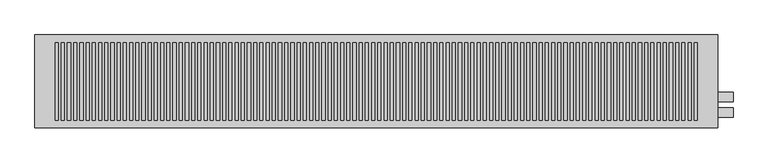
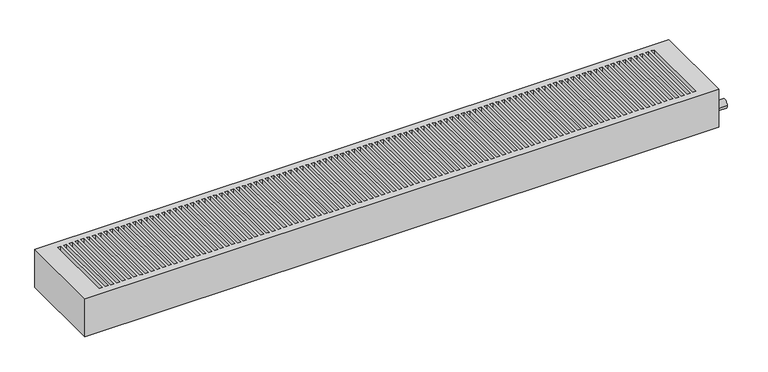
"""IFC4 building model written with IfcOpenShell, lengths in millimetres: proxy geometry."""

from ifc_helpers import new_model, si_unit, point, frame, frame_2d, origin, place, context, project, spatial, circle_curve, trimmed, segment, composite_curve, outline, extrude, faceted_brep, source, transform, mapped, element, save


def mechanical_equipment_62fa3306(model_context):
    return source(origin(), model_context, "Body", "SolidModel", [
        faceted_brep([(1100.0, 150.0, -140.0), (1100.0, -150.0, -140.0), (-1100.0, -150.0, -140.0), (-1100.0, 150.0, -140.0), (1100.0, 150.0, 0.0), (-1100.0, 150.0, 0.0), (-1100.0, -150.0, 0.0), (1100.0, -150.0, 0.0), (15.0, -125.0, 0.0), (5.0, -125.0, 0.0), (5.0, 125.0, 0.0), (15.0, 125.0, 0.0), (-15.0, 125.0, 0.0), (-5.0, 125.0, 0.0), (-5.0, -125.0, 0.0), (-15.0, -125.0, 0.0), (35.0, -125.0, 0.0), (25.0, -125.0, 0.0), (25.0, 125.0, 0.0), (35.0, 125.0, 0.0), (55.0, -125.0, 0.0), (45.0, -125.0, 0.0), (45.0, 125.0, 0.0), (55.0, 125.0, 0.0), (75.0, -125.0, 0.0), (65.0, -125.0, 0.0), (65.0, 125.0, 0.0), (75.0, 125.0, 0.0), (95.0, -125.0, 0.0), (85.0, -125.0, 0.0), (85.0, 125.0, 0.0), (95.0, 125.0, 0.0), (115.0, -125.0, 0.0), (105.0, -125.0, 0.0), (105.0, 125.0, 0.0), (115.0, 125.0, 0.0), (135.0, -125.0, 0.0), (125.0, -125.0, 0.0), (125.0, 125.0, 0.0), (135.0, 125.0, 0.0), (155.0, -125.0, 0.0), (145.0, -125.0, 0.0), (145.0, 125.0, 0.0), (155.0, 125.0, 0.0), (175.0, -125.0, 0.0), (165.0, -125.0, 0.0), (165.0, 125.0, 0.0), (175.0, 125.0, 0.0), (195.0, -125.0, 0.0), (185.0, -125.0, 0.0), (185.0, 125.0, 0.0), (195.0, 125.0, 0.0), (215.0, -125.0, 0.0), (205.0, -125.0, 0.0), (205.0, 125.0, 0.0), (215.0, 125.0, 0.0), (235.0, -125.0, 0.0), (225.0, -125.0, 0.0), (225.0, 125.0, 0.0), (235.0, 125.0, 0.0), (255.0, -125.0, 0.0), (245.0, -125.0, 0.0), (245.0, 125.0, 0.0), (255.0, 125.0, 0.0), (275.0, -125.0, 0.0), (265.0, -125.0, 0.0), (265.0, 125.0, 0.0), (275.0, 125.0, 0.0), (295.0, -125.0, 0.0), (285.0, -125.0, 0.0), (285.0, 125.0, 0.0), (295.0, 125.0, 0.0), (315.0, -125.0, 0.0), (305.0, -125.0, 0.0), (305.0, 125.0, 0.0), (315.0, 125.0, 0.0), (335.0, -125.0, 0.0), (325.0, -125.0, 0.0), (325.0, 125.0, 0.0), (335.0, 125.0, 0.0), (355.0, -125.0, 0.0), (345.0, -125.0, 0.0), (345.0, 125.0, 0.0), (355.0, 125.0, 0.0), (375.0, -125.0, 0.0), (365.0, -125.0, 0.0), (365.0, 125.0, 0.0), (375.0, 125.0, 0.0), (395.0, -125.0, 0.0), (385.0, -125.0, 0.0), (385.0, 125.0, 0.0), (395.0, 125.0, 0.0), (415.0, -125.0, 0.0), (405.0, -125.0, 0.0), (405.0, 125.0, 0.0), (415.0, 125.0, 0.0), (435.0, -125.0, 0.0), (425.0, -125.0, 0.0), (425.0, 125.0, 0.0), (435.0, 125.0, 0.0), (455.0, -125.0, 0.0), (445.0, -125.0, 0.0), (445.0, 125.0, 0.0), (455.0, 125.0, 0.0), (475.0, -125.0, 0.0), (465.0, -125.0, 0.0), (465.0, 125.0, 0.0), (475.0, 125.0, 0.0), (495.0, -125.0, 0.0), (485.0, -125.0, 0.0), (485.0, 125.0, 0.0), (495.0, 125.0, 0.0), (515.0, -125.0, 0.0), (505.0, -125.0, 0.0), (505.0, 125.0, 0.0), (515.0, 125.0, 0.0), (535.0, -125.0, 0.0), (525.0, -125.0, 0.0), (525.0, 125.0, 0.0), (535.0, 125.0, 0.0), (555.0, -125.0, 0.0), (545.0, -125.0, 0.0), (545.0, 125.0, 0.0), (555.0, 125.0, 0.0), (575.0, -125.0, 0.0), (565.0, -125.0, 0.0), (565.0, 125.0, 0.0), (575.0, 125.0, 0.0), (595.0, -125.0, 0.0), (585.0, -125.0, 0.0), (585.0, 125.0, 0.0), (595.0, 125.0, 0.0), (615.0, -125.0, 0.0), (605.0, -125.0, 0.0), (605.0, 125.0, 0.0), (615.0, 125.0, 0.0), (635.0, -125.0, 0.0), (625.0, -125.0, 0.0), (625.0, 125.0, 0.0), (635.0, 125.0, 0.0), (655.0, -125.0, 0.0), (645.0, -125.0, 0.0), (645.0, 125.0, 0.0), (655.0, 125.0, 0.0), (-35.0, 125.0, 0.0), (-25.0, 125.0, 0.0), (-25.0, -125.0, 0.0), (-35.0, -125.0, 0.0), (-55.0, 125.0, 0.0), (-45.0, 125.0, 0.0), (-45.0, -125.0, 0.0), (-55.0, -125.0, 0.0), (-75.0, 125.0, 0.0), (-65.0, 125.0, 0.0), (-65.0, -125.0, 0.0), (-75.0, -125.0, 0.0), (-95.0, 125.0, 0.0), (-85.0, 125.0, 0.0), (-85.0, -125.0, 0.0), (-95.0, -125.0, 0.0), (-115.0, 125.0, 0.0), (-105.0, 125.0, 0.0), (-105.0, -125.0, 0.0), (-115.0, -125.0, 0.0), (-135.0, 125.0, 0.0), (-125.0, 125.0, 0.0), (-125.0, -125.0, 0.0), (-135.0, -125.0, 0.0), (-155.0, 125.0, 0.0), (-145.0, 125.0, 0.0), (-145.0, -125.0, 0.0), (-155.0, -125.0, 0.0), (-175.0, 125.0, 0.0), (-165.0, 125.0, 0.0), (-165.0, -125.0, 0.0), (-175.0, -125.0, 0.0), (-195.0, 125.0, 0.0), (-185.0, 125.0, 0.0), (-185.0, -125.0, 0.0), (-195.0, -125.0, 0.0), (-215.0, 125.0, 0.0), (-205.0, 125.0, 0.0), (-205.0, -125.0, 0.0), (-215.0, -125.0, 0.0), (-235.0, 125.0, 0.0), (-225.0, 125.0, 0.0), (-225.0, -125.0, 0.0), (-235.0, -125.0, 0.0), (-255.0, 125.0, 0.0), (-245.0, 125.0, 0.0), (-245.0, -125.0, 0.0), (-255.0, -125.0, 0.0), (-275.0, 125.0, 0.0), (-265.0, 125.0, 0.0), (-265.0, -125.0, 0.0), (-275.0, -125.0, 0.0), (-295.0, 125.0, 0.0), (-285.0, 125.0, 0.0), (-285.0, -125.0, 0.0), (-295.0, -125.0, 0.0), (-315.0, 125.0, 0.0), (-305.0, 125.0, 0.0), (-305.0, -125.0, 0.0), (-315.0, -125.0, 0.0), (-335.0, 125.0, 0.0), (-325.0, 125.0, 0.0), (-325.0, -125.0, 0.0), (-335.0, -125.0, 0.0), (-355.0, 125.0, 0.0), (-345.0, 125.0, 0.0), (-345.0, -125.0, 0.0), (-355.0, -125.0, 0.0), (-375.0, 125.0, 0.0), (-365.0, 125.0, 0.0), (-365.0, -125.0, 0.0), (-375.0, -125.0, 0.0), (-395.0, 125.0, 0.0), (-385.0, 125.0, 0.0), (-385.0, -125.0, 0.0), (-395.0, -125.0, 0.0), (-415.0, 125.0, 0.0), (-405.0, 125.0, 0.0), (-405.0, -125.0, 0.0), (-415.0, -125.0, 0.0), (-435.0, 125.0, 0.0), (-425.0, 125.0, 0.0), (-425.0, -125.0, 0.0), (-435.0, -125.0, 0.0), (-455.0, 125.0, 0.0), (-445.0, 125.0, 0.0), (-445.0, -125.0, 0.0), (-455.0, -125.0, 0.0), (-475.0, 125.0, 0.0), (-465.0, 125.0, 0.0), (-465.0, -125.0, 0.0), (-475.0, -125.0, 0.0), (-495.0, 125.0, 0.0), (-485.0, 125.0, 0.0), (-485.0, -125.0, 0.0), (-495.0, -125.0, 0.0), (-515.0, 125.0, 0.0), (-505.0, 125.0, 0.0), (-505.0, -125.0, 0.0), (-515.0, -125.0, 0.0), (-535.0, 125.0, 0.0), (-525.0, 125.0, 0.0), (-525.0, -125.0, 0.0), (-535.0, -125.0, 0.0), (-555.0, 125.0, 0.0), (-545.0, 125.0, 0.0), (-545.0, -125.0, 0.0), (-555.0, -125.0, 0.0), (-575.0, 125.0, 0.0), (-565.0, 125.0, 0.0), (-565.0, -125.0, 0.0), (-575.0, -125.0, 0.0), (-595.0, 125.0, 0.0), (-585.0, 125.0, 0.0), (-585.0, -125.0, 0.0), (-595.0, -125.0, 0.0), (-615.0, 125.0, 0.0), (-605.0, 125.0, 0.0), (-605.0, -125.0, 0.0), (-615.0, -125.0, 0.0), (-635.0, 125.0, 0.0), (-625.0, 125.0, 0.0), (-625.0, -125.0, 0.0), (-635.0, -125.0, 0.0), (-655.0, 125.0, 0.0), (-645.0, 125.0, 0.0), (-645.0, -125.0, 0.0), (-655.0, -125.0, 0.0), (675.0, -125.0, 0.0), (665.0, -125.0, 0.0), (665.0, 125.0, 0.0), (675.0, 125.0, 0.0), (695.0, -125.0, 0.0), (685.0, -125.0, 0.0), (685.0, 125.0, 0.0), (695.0, 125.0, 0.0), (715.0, -125.0, 0.0), (705.0, -125.0, 0.0), (705.0, 125.0, 0.0), (715.0, 125.0, 0.0), (735.0, -125.0, 0.0), (725.0, -125.0, 0.0), (725.0, 125.0, 0.0), (735.0, 125.0, 0.0), (755.0, -125.0, 0.0), (745.0, -125.0, 0.0), (745.0, 125.0, 0.0), (755.0, 125.0, 0.0), (775.0, -125.0, 0.0), (765.0, -125.0, 0.0), (765.0, 125.0, 0.0), (775.0, 125.0, 0.0), (795.0, -125.0, 0.0), (785.0, -125.0, 0.0), (785.0, 125.0, 0.0), (795.0, 125.0, 0.0), (815.0, -125.0, 0.0), (805.0, -125.0, 0.0), (805.0, 125.0, 0.0), (815.0, 125.0, 0.0), (835.0, -125.0, 0.0), (825.0, -125.0, 0.0), (825.0, 125.0, 0.0), (835.0, 125.0, 0.0), (855.0, -125.0, 0.0), (845.0, -125.0, 0.0), (845.0, 125.0, 0.0), (855.0, 125.0, 0.0), (875.0, -125.0, 0.0), (865.0, -125.0, 0.0), (865.0, 125.0, 0.0), (875.0, 125.0, 0.0), (895.0, -125.0, 0.0), (885.0, -125.0, 0.0), (885.0, 125.0, 0.0), (895.0, 125.0, 0.0), (915.0, -125.0, 0.0), (905.0, -125.0, 0.0), (905.0, 125.0, 0.0), (915.0, 125.0, 0.0), (935.0, -125.0, 0.0), (925.0, -125.0, 0.0), (925.0, 125.0, 0.0), (935.0, 125.0, 0.0), (955.0, -125.0, 0.0), (945.0, -125.0, 0.0), (945.0, 125.0, 0.0), (955.0, 125.0, 0.0), (975.0, -125.0, 0.0), (965.0, -125.0, 0.0), (965.0, 125.0, 0.0), (975.0, 125.0, 0.0), (995.0, -125.0, 0.0), (985.0, -125.0, 0.0), (985.0, 125.0, 0.0), (995.0, 125.0, 0.0), (1015.0, -125.0, 0.0), (1005.0, -125.0, 0.0), (1005.0, 125.0, 0.0), (1015.0, 125.0, 0.0), (1035.0, -125.0, 0.0), (1025.0, -125.0, 0.0), (1025.0, 125.0, 0.0), (1035.0, 125.0, 0.0), (-675.0, 125.0, 0.0), (-665.0, 125.0, 0.0), (-665.0, -125.0, 0.0), (-675.0, -125.0, 0.0), (-695.0, 125.0, 0.0), (-685.0, 125.0, 0.0), (-685.0, -125.0, 0.0), (-695.0, -125.0, 0.0), (-715.0, 125.0, 0.0), (-705.0, 125.0, 0.0), (-705.0, -125.0, 0.0), (-715.0, -125.0, 0.0), (-735.0, 125.0, 0.0), (-725.0, 125.0, 0.0), (-725.0, -125.0, 0.0), (-735.0, -125.0, 0.0), (-755.0, 125.0, 0.0), (-745.0, 125.0, 0.0), (-745.0, -125.0, 0.0), (-755.0, -125.0, 0.0), (-775.0, 125.0, 0.0), (-765.0, 125.0, 0.0), (-765.0, -125.0, 0.0), (-775.0, -125.0, 0.0), (-795.0, 125.0, 0.0), (-785.0, 125.0, 0.0), (-785.0, -125.0, 0.0), (-795.0, -125.0, 0.0), (-815.0, 125.0, 0.0), (-805.0, 125.0, 0.0), (-805.0, -125.0, 0.0), (-815.0, -125.0, 0.0), (-835.0, 125.0, 0.0), (-825.0, 125.0, 0.0), (-825.0, -125.0, 0.0), (-835.0, -125.0, 0.0), (-855.0, 125.0, 0.0), (-845.0, 125.0, 0.0), (-845.0, -125.0, 0.0), (-855.0, -125.0, 0.0), (-875.0, 125.0, 0.0), (-865.0, 125.0, 0.0), (-865.0, -125.0, 0.0), (-875.0, -125.0, 0.0), (-895.0, 125.0, 0.0), (-885.0, 125.0, 0.0), (-885.0, -125.0, 0.0), (-895.0, -125.0, 0.0), (-915.0, 125.0, 0.0), (-905.0, 125.0, 0.0), (-905.0, -125.0, 0.0), (-915.0, -125.0, 0.0), (-935.0, 125.0, 0.0), (-925.0, 125.0, 0.0), (-925.0, -125.0, 0.0), (-935.0, -125.0, 0.0), (-955.0, 125.0, 0.0), (-945.0, 125.0, 0.0), (-945.0, -125.0, 0.0), (-955.0, -125.0, 0.0), (-975.0, 125.0, 0.0), (-965.0, 125.0, 0.0), (-965.0, -125.0, 0.0), (-975.0, -125.0, 0.0), (-995.0, 125.0, 0.0), (-985.0, 125.0, 0.0), (-985.0, -125.0, 0.0), (-995.0, -125.0, 0.0), (-1015.0, 125.0, 0.0), (-1005.0, 125.0, 0.0), (-1005.0, -125.0, 0.0), (-1015.0, -125.0, 0.0), (-1035.0, 125.0, 0.0), (-1025.0, 125.0, 0.0), (-1025.0, -125.0, 0.0), (-1035.0, -125.0, 0.0), (15.0, -125.0, -30.0), (5.0, -125.0, -30.0), (5.0, 125.0, -30.0), (15.0, 125.0, -30.0), (-15.0, 125.0, -30.0), (-5.0, 125.0, -30.0), (-5.0, -125.0, -30.0), (-15.0, -125.0, -30.0), (35.0, -125.0, -30.0), (25.0, -125.0, -30.0), (25.0, 125.0, -30.0), (35.0, 125.0, -30.0), (55.0, -125.0, -30.0), (45.0, -125.0, -30.0), (45.0, 125.0, -30.0), (55.0, 125.0, -30.0), (75.0, -125.0, -30.0), (65.0, -125.0, -30.0), (65.0, 125.0, -30.0), (75.0, 125.0, -30.0), (95.0, -125.0, -30.0), (85.0, -125.0, -30.0), (85.0, 125.0, -30.0), (95.0, 125.0, -30.0), (115.0, -125.0, -30.0), (105.0, -125.0, -30.0), (105.0, 125.0, -30.0), (115.0, 125.0, -30.0), (135.0, -125.0, -30.0), (125.0, -125.0, -30.0), (125.0, 125.0, -30.0), (135.0, 125.0, -30.0), (155.0, -125.0, -30.0), (145.0, -125.0, -30.0), (145.0, 125.0, -30.0), (155.0, 125.0, -30.0), (175.0, -125.0, -30.0), (165.0, -125.0, -30.0), (165.0, 125.0, -30.0), (175.0, 125.0, -30.0), (195.0, -125.0, -30.0), (185.0, -125.0, -30.0), (185.0, 125.0, -30.0), (195.0, 125.0, -30.0), (215.0, -125.0, -30.0), (205.0, -125.0, -30.0), (205.0, 125.0, -30.0), (215.0, 125.0, -30.0), (235.0, -125.0, -30.0), (225.0, -125.0, -30.0), (225.0, 125.0, -30.0), (235.0, 125.0, -30.0), (255.0, -125.0, -30.0), (245.0, -125.0, -30.0), (245.0, 125.0, -30.0), (255.0, 125.0, -30.0), (275.0, -125.0, -30.0), (265.0, -125.0, -30.0), (265.0, 125.0, -30.0), (275.0, 125.0, -30.0), (295.0, -125.0, -30.0), (285.0, -125.0, -30.0), (285.0, 125.0, -30.0), (295.0, 125.0, -30.0), (315.0, -125.0, -30.0), (305.0, -125.0, -30.0), (305.0, 125.0, -30.0), (315.0, 125.0, -30.0), (335.0, -125.0, -30.0), (325.0, -125.0, -30.0), (325.0, 125.0, -30.0), (335.0, 125.0, -30.0), (355.0, -125.0, -30.0), (345.0, -125.0, -30.0), (345.0, 125.0, -30.0), (355.0, 125.0, -30.0), (375.0, -125.0, -30.0), (365.0, -125.0, -30.0), (365.0, 125.0, -30.0), (375.0, 125.0, -30.0), (395.0, -125.0, -30.0), (385.0, -125.0, -30.0), (385.0, 125.0, -30.0), (395.0, 125.0, -30.0), (415.0, -125.0, -30.0), (405.0, -125.0, -30.0), (405.0, 125.0, -30.0), (415.0, 125.0, -30.0), (435.0, -125.0, -30.0), (425.0, -125.0, -30.0), (425.0, 125.0, -30.0), (435.0, 125.0, -30.0), (455.0, -125.0, -30.0), (445.0, -125.0, -30.0), (445.0, 125.0, -30.0), (455.0, 125.0, -30.0), (475.0, -125.0, -30.0), (465.0, -125.0, -30.0), (465.0, 125.0, -30.0), (475.0, 125.0, -30.0), (495.0, -125.0, -30.0), (485.0, -125.0, -30.0), (485.0, 125.0, -30.0), (495.0, 125.0, -30.0), (515.0, -125.0, -30.0), (505.0, -125.0, -30.0), (505.0, 125.0, -30.0), (515.0, 125.0, -30.0), (535.0, -125.0, -30.0), (525.0, -125.0, -30.0), (525.0, 125.0, -30.0), (535.0, 125.0, -30.0), (555.0, -125.0, -30.0), (545.0, -125.0, -30.0), (545.0, 125.0, -30.0), (555.0, 125.0, -30.0), (575.0, -125.0, -30.0), (565.0, -125.0, -30.0), (565.0, 125.0, -30.0), (575.0, 125.0, -30.0), (595.0, -125.0, -30.0), (585.0, -125.0, -30.0), (585.0, 125.0, -30.0), (595.0, 125.0, -30.0), (615.0, -125.0, -30.0), (605.0, -125.0, -30.0), (605.0, 125.0, -30.0), (615.0, 125.0, -30.0), (635.0, -125.0, -30.0), (625.0, -125.0, -30.0), (625.0, 125.0, -30.0), (635.0, 125.0, -30.0), (655.0, -125.0, -30.0), (645.0, -125.0, -30.0), (645.0, 125.0, -30.0), (655.0, 125.0, -30.0), (-35.0, 125.0, -30.0), (-25.0, 125.0, -30.0), (-25.0, -125.0, -30.0), (-35.0, -125.0, -30.0), (-55.0, 125.0, -30.0), (-45.0, 125.0, -30.0), (-45.0, -125.0, -30.0), (-55.0, -125.0, -30.0), (-75.0, 125.0, -30.0), (-65.0, 125.0, -30.0), (-65.0, -125.0, -30.0), (-75.0, -125.0, -30.0), (-95.0, 125.0, -30.0), (-85.0, 125.0, -30.0), (-85.0, -125.0, -30.0), (-95.0, -125.0, -30.0), (-115.0, 125.0, -30.0), (-105.0, 125.0, -30.0), (-105.0, -125.0, -30.0), (-115.0, -125.0, -30.0), (-135.0, 125.0, -30.0), (-125.0, 125.0, -30.0), (-125.0, -125.0, -30.0), (-135.0, -125.0, -30.0), (-155.0, 125.0, -30.0), (-145.0, 125.0, -30.0), (-145.0, -125.0, -30.0), (-155.0, -125.0, -30.0), (-175.0, 125.0, -30.0), (-165.0, 125.0, -30.0), (-165.0, -125.0, -30.0), (-175.0, -125.0, -30.0), (-195.0, 125.0, -30.0), (-185.0, 125.0, -30.0), (-185.0, -125.0, -30.0), (-195.0, -125.0, -30.0), (-215.0, 125.0, -30.0), (-205.0, 125.0, -30.0), (-205.0, -125.0, -30.0), (-215.0, -125.0, -30.0), (-235.0, 125.0, -30.0), (-225.0, 125.0, -30.0), (-225.0, -125.0, -30.0), (-235.0, -125.0, -30.0), (-255.0, 125.0, -30.0), (-245.0, 125.0, -30.0), (-245.0, -125.0, -30.0), (-255.0, -125.0, -30.0), (-275.0, 125.0, -30.0), (-265.0, 125.0, -30.0), (-265.0, -125.0, -30.0), (-275.0, -125.0, -30.0), (-295.0, 125.0, -30.0), (-285.0, 125.0, -30.0), (-285.0, -125.0, -30.0), (-295.0, -125.0, -30.0), (-315.0, 125.0, -30.0), (-305.0, 125.0, -30.0), (-305.0, -125.0, -30.0), (-315.0, -125.0, -30.0), (-335.0, 125.0, -30.0), (-325.0, 125.0, -30.0), (-325.0, -125.0, -30.0), (-335.0, -125.0, -30.0), (-355.0, 125.0, -30.0), (-345.0, 125.0, -30.0), (-345.0, -125.0, -30.0), (-355.0, -125.0, -30.0), (-375.0, 125.0, -30.0), (-365.0, 125.0, -30.0), (-365.0, -125.0, -30.0), (-375.0, -125.0, -30.0), (-395.0, 125.0, -30.0), (-385.0, 125.0, -30.0), (-385.0, -125.0, -30.0), (-395.0, -125.0, -30.0), (-415.0, 125.0, -30.0), (-405.0, 125.0, -30.0), (-405.0, -125.0, -30.0), (-415.0, -125.0, -30.0), (-435.0, 125.0, -30.0), (-425.0, 125.0, -30.0), (-425.0, -125.0, -30.0), (-435.0, -125.0, -30.0), (-455.0, 125.0, -30.0), (-445.0, 125.0, -30.0), (-445.0, -125.0, -30.0), (-455.0, -125.0, -30.0), (-475.0, 125.0, -30.0), (-465.0, 125.0, -30.0), (-465.0, -125.0, -30.0), (-475.0, -125.0, -30.0), (-495.0, 125.0, -30.0), (-485.0, 125.0, -30.0), (-485.0, -125.0, -30.0), (-495.0, -125.0, -30.0), (-515.0, 125.0, -30.0), (-505.0, 125.0, -30.0), (-505.0, -125.0, -30.0), (-515.0, -125.0, -30.0), (-535.0, 125.0, -30.0), (-525.0, 125.0, -30.0), (-525.0, -125.0, -30.0), (-535.0, -125.0, -30.0), (-555.0, 125.0, -30.0), (-545.0, 125.0, -30.0), (-545.0, -125.0, -30.0), (-555.0, -125.0, -30.0), (-575.0, 125.0, -30.0), (-565.0, 125.0, -30.0), (-565.0, -125.0, -30.0), (-575.0, -125.0, -30.0), (-595.0, 125.0, -30.0), (-585.0, 125.0, -30.0), (-585.0, -125.0, -30.0), (-595.0, -125.0, -30.0), (-615.0, 125.0, -30.0), (-605.0, 125.0, -30.0), (-605.0, -125.0, -30.0), (-615.0, -125.0, -30.0), (-635.0, 125.0, -30.0), (-625.0, 125.0, -30.0), (-625.0, -125.0, -30.0), (-635.0, -125.0, -30.0), (-655.0, 125.0, -30.0), (-645.0, 125.0, -30.0), (-645.0, -125.0, -30.0), (-655.0, -125.0, -30.0), (675.0, -125.0, -30.0), (665.0, -125.0, -30.0), (665.0, 125.0, -30.0), (675.0, 125.0, -30.0), (695.0, -125.0, -30.0), (685.0, -125.0, -30.0), (685.0, 125.0, -30.0), (695.0, 125.0, -30.0), (715.0, -125.0, -30.0), (705.0, -125.0, -30.0), (705.0, 125.0, -30.0), (715.0, 125.0, -30.0), (735.0, -125.0, -30.0), (725.0, -125.0, -30.0), (725.0, 125.0, -30.0), (735.0, 125.0, -30.0), (755.0, -125.0, -30.0), (745.0, -125.0, -30.0), (745.0, 125.0, -30.0), (755.0, 125.0, -30.0), (775.0, -125.0, -30.0), (765.0, -125.0, -30.0), (765.0, 125.0, -30.0), (775.0, 125.0, -30.0), (795.0, -125.0, -30.0), (785.0, -125.0, -30.0), (785.0, 125.0, -30.0), (795.0, 125.0, -30.0), (815.0, -125.0, -30.0), (805.0, -125.0, -30.0), (805.0, 125.0, -30.0), (815.0, 125.0, -30.0), (835.0, -125.0, -30.0), (825.0, -125.0, -30.0), (825.0, 125.0, -30.0), (835.0, 125.0, -30.0), (855.0, -125.0, -30.0), (845.0, -125.0, -30.0), (845.0, 125.0, -30.0), (855.0, 125.0, -30.0), (875.0, -125.0, -30.0), (865.0, -125.0, -30.0), (865.0, 125.0, -30.0), (875.0, 125.0, -30.0), (895.0, -125.0, -30.0), (885.0, -125.0, -30.0), (885.0, 125.0, -30.0), (895.0, 125.0, -30.0), (915.0, -125.0, -30.0), (905.0, -125.0, -30.0), (905.0, 125.0, -30.0), (915.0, 125.0, -30.0), (935.0, -125.0, -30.0), (925.0, -125.0, -30.0), (925.0, 125.0, -30.0), (935.0, 125.0, -30.0), (955.0, -125.0, -30.0), (945.0, -125.0, -30.0), (945.0, 125.0, -30.0), (955.0, 125.0, -30.0), (975.0, -125.0, -30.0), (965.0, -125.0, -30.0), (965.0, 125.0, -30.0), (975.0, 125.0, -30.0), (995.0, -125.0, -30.0), (985.0, -125.0, -30.0), (985.0, 125.0, -30.0), (995.0, 125.0, -30.0), (1015.0, -125.0, -30.0), (1005.0, -125.0, -30.0), (1005.0, 125.0, -30.0), (1015.0, 125.0, -30.0), (1035.0, -125.0, -30.0), (1025.0, -125.0, -30.0), (1025.0, 125.0, -30.0), (1035.0, 125.0, -30.0), (-675.0, 125.0, -30.0), (-665.0, 125.0, -30.0), (-665.0, -125.0, -30.0), (-675.0, -125.0, -30.0), (-695.0, 125.0, -30.0), (-685.0, 125.0, -30.0), (-685.0, -125.0, -30.0), (-695.0, -125.0, -30.0), (-715.0, 125.0, -30.0), (-705.0, 125.0, -30.0), (-705.0, -125.0, -30.0), (-715.0, -125.0, -30.0), (-735.0, 125.0, -30.0), (-725.0, 125.0, -30.0), (-725.0, -125.0, -30.0), (-735.0, -125.0, -30.0), (-755.0, 125.0, -30.0), (-745.0, 125.0, -30.0), (-745.0, -125.0, -30.0), (-755.0, -125.0, -30.0), (-775.0, 125.0, -30.0), (-765.0, 125.0, -30.0), (-765.0, -125.0, -30.0), (-775.0, -125.0, -30.0), (-795.0, 125.0, -30.0), (-785.0, 125.0, -30.0), (-785.0, -125.0, -30.0), (-795.0, -125.0, -30.0), (-815.0, 125.0, -30.0), (-805.0, 125.0, -30.0), (-805.0, -125.0, -30.0), (-815.0, -125.0, -30.0), (-835.0, 125.0, -30.0), (-825.0, 125.0, -30.0), (-825.0, -125.0, -30.0), (-835.0, -125.0, -30.0), (-855.0, 125.0, -30.0), (-845.0, 125.0, -30.0), (-845.0, -125.0, -30.0), (-855.0, -125.0, -30.0), (-875.0, 125.0, -30.0), (-865.0, 125.0, -30.0), (-865.0, -125.0, -30.0), (-875.0, -125.0, -30.0), (-895.0, 125.0, -30.0), (-885.0, 125.0, -30.0), (-885.0, -125.0, -30.0), (-895.0, -125.0, -30.0), (-915.0, 125.0, -30.0), (-905.0, 125.0, -30.0), (-905.0, -125.0, -30.0), (-915.0, -125.0, -30.0), (-935.0, 125.0, -30.0), (-925.0, 125.0, -30.0), (-925.0, -125.0, -30.0), (-935.0, -125.0, -30.0), (-955.0, 125.0, -30.0), (-945.0, 125.0, -30.0), (-945.0, -125.0, -30.0), (-955.0, -125.0, -30.0), (-975.0, 125.0, -30.0), (-965.0, 125.0, -30.0), (-965.0, -125.0, -30.0), (-975.0, -125.0, -30.0), (-995.0, 125.0, -30.0), (-985.0, 125.0, -30.0), (-985.0, -125.0, -30.0), (-995.0, -125.0, -30.0), (-1015.0, 125.0, -30.0), (-1005.0, 125.0, -30.0), (-1005.0, -125.0, -30.0), (-1015.0, -125.0, -30.0), (-1035.0, 125.0, -30.0), (-1025.0, 125.0, -30.0), (-1025.0, -125.0, -30.0), (-1035.0, -125.0, -30.0)], [[[0, 1, 2, 3]], [[4, 5, 6, 7], [8, 9, 10, 11], [12, 13, 14, 15], [16, 17, 18, 19], [20, 21, 22, 23], [24, 25, 26, 27], [28, 29, 30, 31], [32, 33, 34, 35], [36, 37, 38, 39], [40, 41, 42, 43], [44, 45, 46, 47], [48, 49, 50, 51], [52, 53, 54, 55], [56, 57, 58, 59], [60, 61, 62, 63], [64, 65, 66, 67], [68, 69, 70, 71], [72, 73, 74, 75], [76, 77, 78, 79], [80, 81, 82, 83], [84, 85, 86, 87], [88, 89, 90, 91], [92, 93, 94, 95], [96, 97, 98, 99], [100, 101, 102, 103], [104, 105, 106, 107], [108, 109, 110, 111], [112, 113, 114, 115], [116, 117, 118, 119], [120, 121, 122, 123], [124, 125, 126, 127], [128, 129, 130, 131], [132, 133, 134, 135], [136, 137, 138, 139], [140, 141, 142, 143], [144, 145, 146, 147], [148, 149, 150, 151], [152, 153, 154, 155], [156, 157, 158, 159], [160, 161, 162, 163], [164, 165, 166, 167], [168, 169, 170, 171], [172, 173, 174, 175], [176, 177, 178, 179], [180, 181, 182, 183], [184, 185, 186, 187], [188, 189, 190, 191], [192, 193, 194, 195], [196, 197, 198, 199], [200, 201, 202, 203], [204, 205, 206, 207], [208, 209, 210, 211], [212, 213, 214, 215], [216, 217, 218, 219], [220, 221, 222, 223], [224, 225, 226, 227], [228, 229, 230, 231], [232, 233, 234, 235], [236, 237, 238, 239], [240, 241, 242, 243], [244, 245, 246, 247], [248, 249, 250, 251], [252, 253, 254, 255], [256, 257, 258, 259], [260, 261, 262, 263], [264, 265, 266, 267], [268, 269, 270, 271], [272, 273, 274, 275], [276, 277, 278, 279], [280, 281, 282, 283], [284, 285, 286, 287], [288, 289, 290, 291], [292, 293, 294, 295], [296, 297, 298, 299], [300, 301, 302, 303], [304, 305, 306, 307], [308, 309, 310, 311], [312, 313, 314, 315], [316, 317, 318, 319], [320, 321, 322, 323], [324, 325, 326, 327], [328, 329, 330, 331], [332, 333, 334, 335], [336, 337, 338, 339], [340, 341, 342, 343], [344, 345, 346, 347], [348, 349, 350, 351], [352, 353, 354, 355], [356, 357, 358, 359], [360, 361, 362, 363], [364, 365, 366, 367], [368, 369, 370, 371], [372, 373, 374, 375], [376, 377, 378, 379], [380, 381, 382, 383], [384, 385, 386, 387], [388, 389, 390, 391], [392, 393, 394, 395], [396, 397, 398, 399], [400, 401, 402, 403], [404, 405, 406, 407], [408, 409, 410, 411], [412, 413, 414, 415], [416, 417, 418, 419], [420, 421, 422, 423]], [[0, 3, 5, 4]], [[3, 2, 6, 5]], [[2, 1, 7, 6]], [[1, 0, 4, 7]], [[8, 424, 425, 9]], [[10, 426, 427, 11]], [[9, 425, 426, 10]], [[425, 424, 427, 426]], [[424, 8, 11, 427]], [[12, 428, 429, 13]], [[14, 430, 431, 15]], [[428, 12, 15, 431]], [[429, 428, 431, 430]], [[13, 429, 430, 14]], [[16, 432, 433, 17]], [[18, 434, 435, 19]], [[17, 433, 434, 18]], [[433, 432, 435, 434]], [[432, 16, 19, 435]], [[20, 436, 437, 21]], [[22, 438, 439, 23]], [[21, 437, 438, 22]], [[437, 436, 439, 438]], [[436, 20, 23, 439]], [[24, 440, 441, 25]], [[26, 442, 443, 27]], [[25, 441, 442, 26]], [[441, 440, 443, 442]], [[440, 24, 27, 443]], [[28, 444, 445, 29]], [[30, 446, 447, 31]], [[29, 445, 446, 30]], [[445, 444, 447, 446]], [[444, 28, 31, 447]], [[32, 448, 449, 33]], [[34, 450, 451, 35]], [[33, 449, 450, 34]], [[449, 448, 451, 450]], [[448, 32, 35, 451]], [[36, 452, 453, 37]], [[38, 454, 455, 39]], [[37, 453, 454, 38]], [[453, 452, 455, 454]], [[452, 36, 39, 455]], [[40, 456, 457, 41]], [[42, 458, 459, 43]], [[41, 457, 458, 42]], [[457, 456, 459, 458]], [[456, 40, 43, 459]], [[44, 460, 461, 45]], [[46, 462, 463, 47]], [[45, 461, 462, 46]], [[461, 460, 463, 462]], [[460, 44, 47, 463]], [[48, 464, 465, 49]], [[50, 466, 467, 51]], [[49, 465, 466, 50]], [[465, 464, 467, 466]], [[464, 48, 51, 467]], [[52, 468, 469, 53]], [[54, 470, 471, 55]], [[53, 469, 470, 54]], [[469, 468, 471, 470]], [[468, 52, 55, 471]], [[56, 472, 473, 57]], [[58, 474, 475, 59]], [[57, 473, 474, 58]], [[473, 472, 475, 474]], [[472, 56, 59, 475]], [[60, 476, 477, 61]], [[62, 478, 479, 63]], [[61, 477, 478, 62]], [[477, 476, 479, 478]], [[476, 60, 63, 479]], [[64, 480, 481, 65]], [[66, 482, 483, 67]], [[65, 481, 482, 66]], [[481, 480, 483, 482]], [[480, 64, 67, 483]], [[68, 484, 485, 69]], [[70, 486, 487, 71]], [[69, 485, 486, 70]], [[485, 484, 487, 486]], [[484, 68, 71, 487]], [[72, 488, 489, 73]], [[74, 490, 491, 75]], [[73, 489, 490, 74]], [[489, 488, 491, 490]], [[488, 72, 75, 491]], [[76, 492, 493, 77]], [[78, 494, 495, 79]], [[77, 493, 494, 78]], [[493, 492, 495, 494]], [[492, 76, 79, 495]], [[80, 496, 497, 81]], [[82, 498, 499, 83]], [[81, 497, 498, 82]], [[497, 496, 499, 498]], [[496, 80, 83, 499]], [[84, 500, 501, 85]], [[86, 502, 503, 87]], [[85, 501, 502, 86]], [[501, 500, 503, 502]], [[500, 84, 87, 503]], [[88, 504, 505, 89]], [[90, 506, 507, 91]], [[89, 505, 506, 90]], [[505, 504, 507, 506]], [[504, 88, 91, 507]], [[92, 508, 509, 93]], [[94, 510, 511, 95]], [[93, 509, 510, 94]], [[509, 508, 511, 510]], [[508, 92, 95, 511]], [[96, 512, 513, 97]], [[98, 514, 515, 99]], [[97, 513, 514, 98]], [[513, 512, 515, 514]], [[512, 96, 99, 515]], [[100, 516, 517, 101]], [[102, 518, 519, 103]], [[101, 517, 518, 102]], [[517, 516, 519, 518]], [[516, 100, 103, 519]], [[104, 520, 521, 105]], [[106, 522, 523, 107]], [[105, 521, 522, 106]], [[521, 520, 523, 522]], [[520, 104, 107, 523]], [[108, 524, 525, 109]], [[110, 526, 527, 111]], [[109, 525, 526, 110]], [[525, 524, 527, 526]], [[524, 108, 111, 527]], [[112, 528, 529, 113]], [[114, 530, 531, 115]], [[113, 529, 530, 114]], [[529, 528, 531, 530]], [[528, 112, 115, 531]], [[116, 532, 533, 117]], [[118, 534, 535, 119]], [[117, 533, 534, 118]], [[533, 532, 535, 534]], [[532, 116, 119, 535]], [[120, 536, 537, 121]], [[122, 538, 539, 123]], [[121, 537, 538, 122]], [[537, 536, 539, 538]], [[536, 120, 123, 539]], [[124, 540, 541, 125]], [[126, 542, 543, 127]], [[125, 541, 542, 126]], [[541, 540, 543, 542]], [[540, 124, 127, 543]], [[128, 544, 545, 129]], [[130, 546, 547, 131]], [[129, 545, 546, 130]], [[545, 544, 547, 546]], [[544, 128, 131, 547]], [[132, 548, 549, 133]], [[134, 550, 551, 135]], [[133, 549, 550, 134]], [[549, 548, 551, 550]], [[548, 132, 135, 551]], [[136, 552, 553, 137]], [[138, 554, 555, 139]], [[137, 553, 554, 138]], [[553, 552, 555, 554]], [[552, 136, 139, 555]], [[140, 556, 557, 141]], [[142, 558, 559, 143]], [[141, 557, 558, 142]], [[557, 556, 559, 558]], [[556, 140, 143, 559]], [[144, 560, 561, 145]], [[146, 562, 563, 147]], [[560, 144, 147, 563]], [[561, 560, 563, 562]], [[145, 561, 562, 146]], [[148, 564, 565, 149]], [[150, 566, 567, 151]], [[564, 148, 151, 567]], [[565, 564, 567, 566]], [[149, 565, 566, 150]], [[152, 568, 569, 153]], [[154, 570, 571, 155]], [[568, 152, 155, 571]], [[569, 568, 571, 570]], [[153, 569, 570, 154]], [[156, 572, 573, 157]], [[158, 574, 575, 159]], [[572, 156, 159, 575]], [[573, 572, 575, 574]], [[157, 573, 574, 158]], [[160, 576, 577, 161]], [[162, 578, 579, 163]], [[576, 160, 163, 579]], [[577, 576, 579, 578]], [[161, 577, 578, 162]], [[164, 580, 581, 165]], [[166, 582, 583, 167]], [[580, 164, 167, 583]], [[581, 580, 583, 582]], [[165, 581, 582, 166]], [[168, 584, 585, 169]], [[170, 586, 587, 171]], [[584, 168, 171, 587]], [[585, 584, 587, 586]], [[169, 585, 586, 170]], [[172, 588, 589, 173]], [[174, 590, 591, 175]], [[588, 172, 175, 591]], [[589, 588, 591, 590]], [[173, 589, 590, 174]], [[176, 592, 593, 177]], [[178, 594, 595, 179]], [[592, 176, 179, 595]], [[593, 592, 595, 594]], [[177, 593, 594, 178]], [[180, 596, 597, 181]], [[182, 598, 599, 183]], [[596, 180, 183, 599]], [[597, 596, 599, 598]], [[181, 597, 598, 182]], [[184, 600, 601, 185]], [[186, 602, 603, 187]], [[600, 184, 187, 603]], [[601, 600, 603, 602]], [[185, 601, 602, 186]], [[188, 604, 605, 189]], [[190, 606, 607, 191]], [[604, 188, 191, 607]], [[605, 604, 607, 606]], [[189, 605, 606, 190]], [[192, 608, 609, 193]], [[194, 610, 611, 195]], [[608, 192, 195, 611]], [[609, 608, 611, 610]], [[193, 609, 610, 194]], [[196, 612, 613, 197]], [[198, 614, 615, 199]], [[612, 196, 199, 615]], [[613, 612, 615, 614]], [[197, 613, 614, 198]], [[200, 616, 617, 201]], [[202, 618, 619, 203]], [[616, 200, 203, 619]], [[617, 616, 619, 618]], [[201, 617, 618, 202]], [[204, 620, 621, 205]], [[206, 622, 623, 207]], [[620, 204, 207, 623]], [[621, 620, 623, 622]], [[205, 621, 622, 206]], [[208, 624, 625, 209]], [[210, 626, 627, 211]], [[624, 208, 211, 627]], [[625, 624, 627, 626]], [[209, 625, 626, 210]], [[212, 628, 629, 213]], [[214, 630, 631, 215]], [[628, 212, 215, 631]], [[629, 628, 631, 630]], [[213, 629, 630, 214]], [[216, 632, 633, 217]], [[218, 634, 635, 219]], [[632, 216, 219, 635]], [[633, 632, 635, 634]], [[217, 633, 634, 218]], [[220, 636, 637, 221]], [[222, 638, 639, 223]], [[636, 220, 223, 639]], [[637, 636, 639, 638]], [[221, 637, 638, 222]], [[224, 640, 641, 225]], [[226, 642, 643, 227]], [[640, 224, 227, 643]], [[641, 640, 643, 642]], [[225, 641, 642, 226]], [[228, 644, 645, 229]], [[230, 646, 647, 231]], [[644, 228, 231, 647]], [[645, 644, 647, 646]], [[229, 645, 646, 230]], [[232, 648, 649, 233]], [[234, 650, 651, 235]], [[648, 232, 235, 651]], [[649, 648, 651, 650]], [[233, 649, 650, 234]], [[236, 652, 653, 237]], [[238, 654, 655, 239]], [[652, 236, 239, 655]], [[653, 652, 655, 654]], [[237, 653, 654, 238]], [[240, 656, 657, 241]], [[242, 658, 659, 243]], [[656, 240, 243, 659]], [[657, 656, 659, 658]], [[241, 657, 658, 242]], [[244, 660, 661, 245]], [[246, 662, 663, 247]], [[660, 244, 247, 663]], [[661, 660, 663, 662]], [[245, 661, 662, 246]], [[248, 664, 665, 249]], [[250, 666, 667, 251]], [[664, 248, 251, 667]], [[665, 664, 667, 666]], [[249, 665, 666, 250]], [[252, 668, 669, 253]], [[254, 670, 671, 255]], [[668, 252, 255, 671]], [[669, 668, 671, 670]], [[253, 669, 670, 254]], [[256, 672, 673, 257]], [[258, 674, 675, 259]], [[672, 256, 259, 675]], [[673, 672, 675, 674]], [[257, 673, 674, 258]], [[260, 676, 677, 261]], [[262, 678, 679, 263]], [[676, 260, 263, 679]], [[677, 676, 679, 678]], [[261, 677, 678, 262]], [[264, 680, 681, 265]], [[266, 682, 683, 267]], [[680, 264, 267, 683]], [[681, 680, 683, 682]], [[265, 681, 682, 266]], [[268, 684, 685, 269]], [[270, 686, 687, 271]], [[684, 268, 271, 687]], [[685, 684, 687, 686]], [[269, 685, 686, 270]], [[272, 688, 689, 273]], [[274, 690, 691, 275]], [[273, 689, 690, 274]], [[689, 688, 691, 690]], [[688, 272, 275, 691]], [[276, 692, 693, 277]], [[278, 694, 695, 279]], [[277, 693, 694, 278]], [[693, 692, 695, 694]], [[692, 276, 279, 695]], [[280, 696, 697, 281]], [[282, 698, 699, 283]], [[281, 697, 698, 282]], [[697, 696, 699, 698]], [[696, 280, 283, 699]], [[284, 700, 701, 285]], [[286, 702, 703, 287]], [[285, 701, 702, 286]], [[701, 700, 703, 702]], [[700, 284, 287, 703]], [[288, 704, 705, 289]], [[290, 706, 707, 291]], [[289, 705, 706, 290]], [[705, 704, 707, 706]], [[704, 288, 291, 707]], [[292, 708, 709, 293]], [[294, 710, 711, 295]], [[293, 709, 710, 294]], [[709, 708, 711, 710]], [[708, 292, 295, 711]], [[296, 712, 713, 297]], [[298, 714, 715, 299]], [[297, 713, 714, 298]], [[713, 712, 715, 714]], [[712, 296, 299, 715]], [[300, 716, 717, 301]], [[302, 718, 719, 303]], [[301, 717, 718, 302]], [[717, 716, 719, 718]], [[716, 300, 303, 719]], [[304, 720, 721, 305]], [[306, 722, 723, 307]], [[305, 721, 722, 306]], [[721, 720, 723, 722]], [[720, 304, 307, 723]], [[308, 724, 725, 309]], [[310, 726, 727, 311]], [[309, 725, 726, 310]], [[725, 724, 727, 726]], [[724, 308, 311, 727]], [[312, 728, 729, 313]], [[314, 730, 731, 315]], [[313, 729, 730, 314]], [[729, 728, 731, 730]], [[728, 312, 315, 731]], [[316, 732, 733, 317]], [[318, 734, 735, 319]], [[317, 733, 734, 318]], [[733, 732, 735, 734]], [[732, 316, 319, 735]], [[320, 736, 737, 321]], [[322, 738, 739, 323]], [[321, 737, 738, 322]], [[737, 736, 739, 738]], [[736, 320, 323, 739]], [[324, 740, 741, 325]], [[326, 742, 743, 327]], [[325, 741, 742, 326]], [[741, 740, 743, 742]], [[740, 324, 327, 743]], [[328, 744, 745, 329]], [[330, 746, 747, 331]], [[329, 745, 746, 330]], [[745, 744, 747, 746]], [[744, 328, 331, 747]], [[332, 748, 749, 333]], [[334, 750, 751, 335]], [[333, 749, 750, 334]], [[749, 748, 751, 750]], [[748, 332, 335, 751]], [[336, 752, 753, 337]], [[338, 754, 755, 339]], [[337, 753, 754, 338]], [[753, 752, 755, 754]], [[752, 336, 339, 755]], [[340, 756, 757, 341]], [[342, 758, 759, 343]], [[341, 757, 758, 342]], [[757, 756, 759, 758]], [[756, 340, 343, 759]], [[344, 760, 761, 345]], [[346, 762, 763, 347]], [[345, 761, 762, 346]], [[761, 760, 763, 762]], [[760, 344, 347, 763]], [[348, 764, 765, 349]], [[350, 766, 767, 351]], [[764, 348, 351, 767]], [[765, 764, 767, 766]], [[349, 765, 766, 350]], [[352, 768, 769, 353]], [[354, 770, 771, 355]], [[768, 352, 355, 771]], [[769, 768, 771, 770]], [[353, 769, 770, 354]], [[356, 772, 773, 357]], [[358, 774, 775, 359]], [[772, 356, 359, 775]], [[773, 772, 775, 774]], [[357, 773, 774, 358]], [[360, 776, 777, 361]], [[362, 778, 779, 363]], [[776, 360, 363, 779]], [[777, 776, 779, 778]], [[361, 777, 778, 362]], [[364, 780, 781, 365]], [[366, 782, 783, 367]], [[780, 364, 367, 783]], [[781, 780, 783, 782]], [[365, 781, 782, 366]], [[368, 784, 785, 369]], [[370, 786, 787, 371]], [[784, 368, 371, 787]], [[785, 784, 787, 786]], [[369, 785, 786, 370]], [[372, 788, 789, 373]], [[374, 790, 791, 375]], [[788, 372, 375, 791]], [[789, 788, 791, 790]], [[373, 789, 790, 374]], [[376, 792, 793, 377]], [[378, 794, 795, 379]], [[792, 376, 379, 795]], [[793, 792, 795, 794]], [[377, 793, 794, 378]], [[380, 796, 797, 381]], [[382, 798, 799, 383]], [[796, 380, 383, 799]], [[797, 796, 799, 798]], [[381, 797, 798, 382]], [[384, 800, 801, 385]], [[386, 802, 803, 387]], [[800, 384, 387, 803]], [[801, 800, 803, 802]], [[385, 801, 802, 386]], [[388, 804, 805, 389]], [[390, 806, 807, 391]], [[804, 388, 391, 807]], [[805, 804, 807, 806]], [[389, 805, 806, 390]], [[392, 808, 809, 393]], [[394, 810, 811, 395]], [[808, 392, 395, 811]], [[809, 808, 811, 810]], [[393, 809, 810, 394]], [[396, 812, 813, 397]], [[398, 814, 815, 399]], [[812, 396, 399, 815]], [[813, 812, 815, 814]], [[397, 813, 814, 398]], [[400, 816, 817, 401]], [[402, 818, 819, 403]], [[816, 400, 403, 819]], [[817, 816, 819, 818]], [[401, 817, 818, 402]], [[404, 820, 821, 405]], [[406, 822, 823, 407]], [[820, 404, 407, 823]], [[821, 820, 823, 822]], [[405, 821, 822, 406]], [[408, 824, 825, 409]], [[410, 826, 827, 411]], [[824, 408, 411, 827]], [[825, 824, 827, 826]], [[409, 825, 826, 410]], [[412, 828, 829, 413]], [[414, 830, 831, 415]], [[828, 412, 415, 831]], [[829, 828, 831, 830]], [[413, 829, 830, 414]], [[416, 832, 833, 417]], [[418, 834, 835, 419]], [[832, 416, 419, 835]], [[833, 832, 835, 834]], [[417, 833, 834, 418]], [[420, 836, 837, 421]], [[422, 838, 839, 423]], [[836, 420, 423, 839]], [[837, 836, 839, 838]], [[421, 837, 838, 422]]]),
        extrude(outline(composite_curve([segment(trimmed(circle_curve(frame_2d((-100.0, -100.0)), 15.0), [point((-115.0, -100.0))], [point((-85.0, -100.0))], False, "CARTESIAN"), True, "CONTINUOUS"), segment(trimmed(circle_curve(frame_2d((-100.0, -100.0)), 15.0), [point((-85.0, -100.0))], [point((-115.0, -100.0))], False, "CARTESIAN"), True, "CONTINUOUS")], self_intersect=False)), frame((1100.0, 0.0, 0.0), z_axis=(1.0, 0.0, 0.0), x_axis=(0.0, 1.0, 0.0)), (0.0, 0.0, 1.0), 50.0),
        extrude(outline(composite_curve([segment(trimmed(circle_curve(frame_2d((-50.0, -100.0)), 15.0), [point((-65.0, -100.0))], [point((-35.0, -100.0))], False, "CARTESIAN"), True, "CONTINUOUS"), segment(trimmed(circle_curve(frame_2d((-50.0, -100.0)), 15.0), [point((-35.0, -100.0))], [point((-65.0, -100.0))], False, "CARTESIAN"), True, "CONTINUOUS")], self_intersect=False)), frame((1100.0, 0.0, 0.0), z_axis=(1.0, 0.0, 0.0), x_axis=(0.0, 1.0, 0.0)), (0.0, 0.0, 1.0), 50.0),
    ])


if __name__ == "__main__":
    model = new_model("IFC4")
    model_context = context("Model", 3, world=origin())
    ifc_project = project(units=[si_unit("LENGTHUNIT", "METRE", prefix="MILLI")], contexts=[model_context])
    site = spatial("IfcSite", under=ifc_project)
    building = spatial("IfcBuilding", under=site)
    placement = place(None, origin())
    mechanical_equipment_shape = mechanical_equipment_62fa3306(model_context)
    element("IfcBuildingElementProxy", 1, Name="Mechanical Equipment", at=placement, inside=building, context=model_context, shape_type="MappedRepresentation", body=[
        mapped(mechanical_equipment_shape, transform((0.0, 0.0, 0.0), x_axis=(1.0, 0.0, 0.0), y_axis=(0.0, 1.0, 0.0), z_axis=(0.0, 0.0, 1.0))),
    ])
    save(model, "model.ifc")
